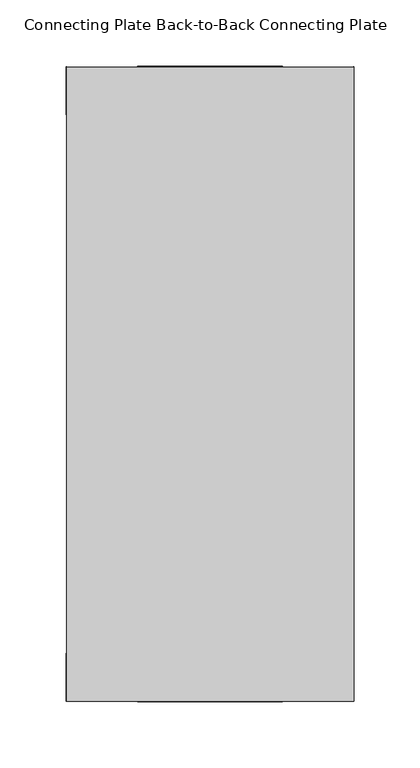
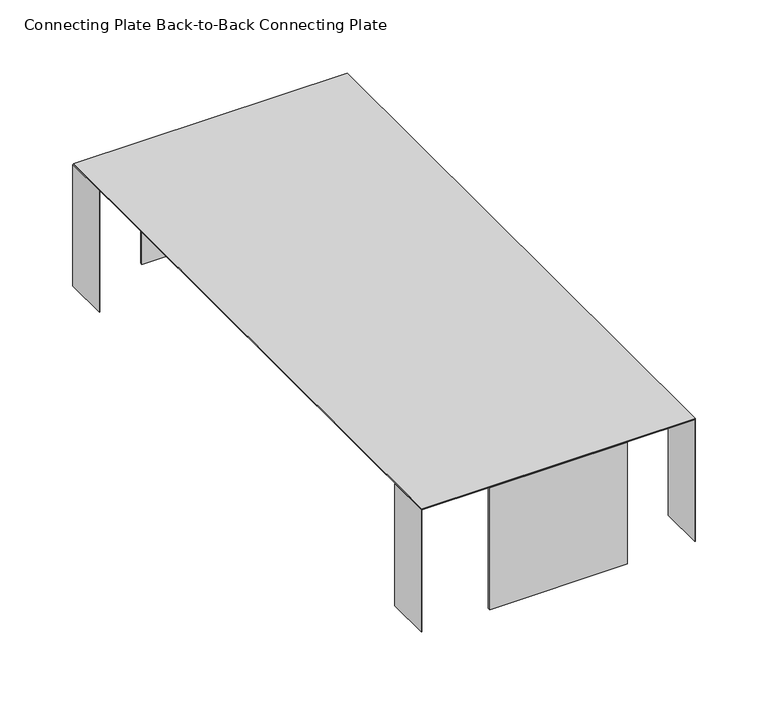
"""IFC4 building model written with IfcOpenShell, lengths in millimetres: furniture geometry, Connecting Plate Back-to-Back Connecting Plate."""

import ifcopenshell
import ifcopenshell.guid

model = None  # the IFC model being written
_history = None  # IfcOwnerHistory: only IFC2X3 demands one
_inside = {}  # id of a spatial element -> (the spatial element, [elements in it])
_under = {}  # id of a project, library or spatial element -> (it, [spatial elements below it])
_declared = {}  # id of a project -> (the project, [libraries it declares])
_typed = {}  # id of a type object -> (the type object, [elements of that type])
_made_of = {}  # id of a material, layer set ... -> (it, [elements and type objects made of it])


def new_model(schema):
    """Start an empty IFC model of exactly this schema.

    Asked for "IFC4X3", IfcOpenShell would pick the latest addendum, in which some entities
    have other attributes; the version numbers below select the first issue.
    IFC2X3 requires an IfcOwnerHistory on every rooted entity: one is made here for all.
    """
    global model, _history
    if schema == "IFC4X3":
        model = ifcopenshell.file(schema_version=(4, 3, 0, 0))
    else:
        model = ifcopenshell.file(schema=schema)
    _inside.clear()
    _under.clear()
    _declared.clear()
    _typed.clear()
    _made_of.clear()
    _history = None
    if model.schema == "IFC2X3":
        org = make("IfcOrganization", Name="unknown")
        user = make(
            "IfcPersonAndOrganization",
            ThePerson=make("IfcPerson", FamilyName="unknown"),
            TheOrganization=org,
        )
        app = make(
            "IfcApplication",
            ApplicationDeveloper=org,
            Version="unknown",
            ApplicationFullName="unknown",
            ApplicationIdentifier="unknown",
        )
        _history = make(
            "IfcOwnerHistory",
            OwningUser=user,
            OwningApplication=app,
            ChangeAction="ADDED",
            CreationDate=0,
        )
    return model


def make(cls, **values):
    """One entity of the class cls with the attributes given. An attribute that is None is left unset."""
    return model.create_entity(
        cls, **{name: value for name, value in values.items() if value is not None}
    )


def rooted(cls, **values):
    """An entity with a GlobalId (a new one), such as an element, a storey or a relation."""
    return make(cls, GlobalId=ifcopenshell.guid.new(), OwnerHistory=_history, **values)


def si_unit(unit_type, name, prefix=None):
    """IfcSIUnit, for example si_unit("LENGTHUNIT", "METRE", prefix="MILLI")."""
    return make("IfcSIUnit", UnitType=unit_type, Prefix=prefix, Name=name)


def assignment(units):
    """IfcUnitAssignment: the units of a project."""
    return None if units is None else make("IfcUnitAssignment", Units=units)


def point(xyz):
    """IfcCartesianPoint."""
    return None if xyz is None else make("IfcCartesianPoint", Coordinates=xyz)


def direction(xyz):
    """IfcDirection."""
    return None if xyz is None else make("IfcDirection", DirectionRatios=xyz)


def frame(location, z_axis=None, x_axis=None):
    """IfcAxis2Placement3D, a coordinate frame: its origin and axes. An axis left out is left unset."""
    return make(
        "IfcAxis2Placement3D",
        Location=point(location),
        Axis=direction(z_axis),
        RefDirection=direction(x_axis),
    )


def origin():
    """The frame at (0, 0, 0) with its axes left unset."""
    return frame((0.0, 0.0, 0.0))


def place(relative_to, where):
    """IfcLocalPlacement: puts the frame where relative to a parent placement (None: the world)."""
    return make(
        "IfcLocalPlacement", PlacementRelTo=relative_to, RelativePlacement=where
    )


def context(
    kind, dimensions, precision=None, world=None, true_north=None, identifier=None
):
    """IfcGeometricRepresentationContext, for example the 3D "Model" context."""
    return make(
        "IfcGeometricRepresentationContext",
        ContextIdentifier=identifier,
        ContextType=kind,
        CoordinateSpaceDimension=dimensions,
        Precision=precision,
        WorldCoordinateSystem=world,
        TrueNorth=true_north,
    )


def project(units=None, contexts=None):
    """IfcProject with its units and contexts."""
    return rooted(
        "IfcProject",
        Name="project",
        RepresentationContexts=contexts,
        UnitsInContext=assignment(units),
    )


def spatial(cls, under=None, at=None, **own):
    """A site, building, storey or space (cls), placed at a placement, below another one or the project."""
    s = rooted(cls, ObjectPlacement=at, **own)
    if under is not None:
        _under.setdefault(under.id(), (under, []))[1].append(s)
    return s


def polyline(points):
    """IfcPolyline through the points."""
    return make("IfcPolyline", Points=[point(p) for p in points])


def outline(outer, holes=None, kind="AREA"):
    """IfcArbitraryClosedProfileDef: a profile drawn as a closed curve; with holes, ...WithVoids."""
    if holes is None:
        return make("IfcArbitraryClosedProfileDef", ProfileType=kind, OuterCurve=outer)
    return make(
        "IfcArbitraryProfileDefWithVoids",
        ProfileType=kind,
        OuterCurve=outer,
        InnerCurves=holes,
    )


def extrude(swept, where, along, depth):
    """IfcExtrudedAreaSolid: the profile swept, set in the frame where, extruded along a direction by depth."""
    return make(
        "IfcExtrudedAreaSolid",
        SweptArea=swept,
        Position=where,
        ExtrudedDirection=direction(along),
        Depth=depth,
    )


def shape(context_of_items, identifier, shape_type, items):
    """IfcShapeRepresentation: the items that make up one representation, for example the "Body"."""
    return make(
        "IfcShapeRepresentation",
        ContextOfItems=context_of_items,
        RepresentationIdentifier=identifier,
        RepresentationType=shape_type,
        Items=items,
    )


def source(mapping_origin, context_of_items, identifier, shape_type, items):
    """IfcRepresentationMap: a shape defined once, which mapped items show again and again."""
    return make(
        "IfcRepresentationMap",
        MappingOrigin=mapping_origin,
        MappedRepresentation=shape(context_of_items, identifier, shape_type, items),
    )


def transform(
    local_origin,
    x_axis=None,
    y_axis=None,
    z_axis=None,
    scale=None,
    scale2=None,
    scale3=None,
    uniform=True,
):
    """IfcCartesianTransformationOperator3D, or its non-uniform kind. x_axis, y_axis, z_axis: its Axis1, 2, 3."""
    if uniform:
        return make(
            "IfcCartesianTransformationOperator3D",
            Axis1=direction(x_axis),
            Axis2=direction(y_axis),
            LocalOrigin=point(local_origin),
            Scale=scale,
            Axis3=direction(z_axis),
        )
    return make(
        "IfcCartesianTransformationOperator3DnonUniform",
        Axis1=direction(x_axis),
        Axis2=direction(y_axis),
        LocalOrigin=point(local_origin),
        Scale=scale,
        Axis3=direction(z_axis),
        Scale2=scale2,
        Scale3=scale3,
    )


def mapped(mapping_source, mapping_target):
    """IfcMappedItem: shows the shape of a source again, moved by a transform."""
    return make(
        "IfcMappedItem", MappingSource=mapping_source, MappingTarget=mapping_target
    )


def made_of(thing, what):
    """Note that an element or type object is made of a material, layer set ...; save() writes the relation."""
    if what is not None:
        _made_of.setdefault(what.id(), (what, []))[1].append(thing)
    return thing


def element(
    cls,
    number,
    at=None,
    inside=None,
    cuts=None,
    type_object=None,
    material=None,
    context=None,
    identifier="Body",
    shape_type=None,
    held_by="IfcProductDefinitionShape",
    body=None,
    shapes=None,
    **own,
):
    """One element of the class cls, such as IfcWall. Its Tag is "e" and its number.

    at: its placement. inside: the storey or other place that contains it. cuts: it is an
    opening in that element (IfcRelVoidsElement). A single representation is given by context,
    identifier, shape_type and body (its items); several are given by shapes. held_by: the class
    of the entity that holds the representations. save() writes the other relations.
    """
    e = rooted(cls, Tag="e%d" % number, ObjectPlacement=at, **own)
    if body is not None:
        shapes = [shape(context, identifier, shape_type, body)]
    if shapes is not None:
        e.Representation = make(held_by, Representations=shapes)
    if inside is not None:
        _inside.setdefault(inside.id(), (inside, []))[1].append(e)
    if cuts is not None:
        rooted(
            "IfcRelVoidsElement", RelatingBuildingElement=cuts, RelatedOpeningElement=e
        )
    if type_object is not None:
        _typed.setdefault(type_object.id(), (type_object, []))[1].append(e)
    return made_of(e, material)


def aggregate(whole, parts):
    """IfcRelAggregates: a whole, such as a stair, and the parts it consists of."""
    return rooted("IfcRelAggregates", RelatingObject=whole, RelatedObjects=parts)


def save(model, path):
    """Write the relations noted so far, then the file.

    IfcRelAggregates (storeys below a building ...), IfcRelContainedInSpatialStructure (elements
    in a storey), IfcRelDefinesByType, IfcRelAssociatesMaterial and IfcRelDeclares: one each for
    every whole, place, type object, material and project.
    """
    for whole, parts in _under.values():
        aggregate(whole, parts)
    for where, things in _inside.values():
        rooted(
            "IfcRelContainedInSpatialStructure",
            RelatedElements=things,
            RelatingStructure=where,
        )
    for kind, things in _typed.values():
        rooted("IfcRelDefinesByType", RelatedObjects=things, RelatingType=kind)
    for what, things in _made_of.values():
        rooted("IfcRelAssociatesMaterial", RelatedObjects=things, RelatingMaterial=what)
    for by, libraries in _declared.values():
        rooted("IfcRelDeclares", RelatingContext=by, RelatedDefinitions=libraries)
    model.write(path)


def connecting_plate_back_to_back_connecting_plate_7b9cfb0c(model_context):
    return source(origin(), model_context, "Body", "SweptSolid", [
        extrude(outline(polyline([(121.1959787, -239.74287), (121.1959787, -203.5732573), (121.5769783, -203.5732573), (121.5769783, -239.74287), (121.1959787, -239.74287)])), frame((0.0, 0.0, 332.4660802), z_axis=(0.0, 0.0, 1.0), x_axis=(1.0, 0.0, 0.0)), (0.0, 0.0, 1.0), 102.3619932),
        extrude(outline(polyline([(-95.7959787, -203.5732573), (-95.7959787, -239.74287), (-96.1769783, -239.74287), (-96.1769783, -203.5732573), (-95.7959787, -203.5732573)])), frame((0.0, 0.0, 332.4660802), z_axis=(0.0, 0.0, 1.0), x_axis=(1.0, 0.0, 0.0)), (0.0, 0.0, 1.0), 102.3619932),
        extrude(outline(polyline([(121.1959787, 203.5732573), (121.1959787, 239.74287), (121.5769783, 239.74287), (121.5769783, 203.5732573), (121.1959787, 203.5732573)])), frame((0.0, 0.0, 332.4660802), z_axis=(0.0, 0.0, 1.0), x_axis=(1.0, 0.0, 0.0)), (0.0, 0.0, 1.0), 102.3619932),
        extrude(outline(polyline([(-95.7959787, 239.74287), (-95.7959787, 203.5732573), (-96.1769783, 203.5732573), (-96.1769783, 239.74287), (-95.7959787, 239.74287)])), frame((0.0, 0.0, 332.4660802), z_axis=(0.0, 0.0, 1.0), x_axis=(1.0, 0.0, 0.0)), (0.0, 0.0, 1.0), 102.3619932),
        extrude(outline(polyline([(-42.1297095, 240.2768459), (67.529708, 240.2768459), (67.529708, 238.5071906), (-42.1297095, 238.5071906), (-42.1297095, 240.2768459)])), frame((0.0, 0.0, 332.4660802), z_axis=(0.0, 0.0, 1.0), x_axis=(1.0, 0.0, 0.0)), (0.0, 0.0, 1.0), 102.3619932),
        extrude(outline(polyline([(67.529708, -240.2768459), (-42.1297095, -240.2768459), (-42.1297095, -238.5071906), (67.529708, -238.5071906), (67.529708, -240.2768459)])), frame((0.0, 0.0, 332.4660802), z_axis=(0.0, 0.0, 1.0), x_axis=(1.0, 0.0, 0.0)), (0.0, 0.0, 1.0), 102.3619932),
        extrude(outline(polyline([(121.5769813, 239.3104654), (121.5769813, -239.74287), (-95.7959787, -239.74287), (-95.7959787, 239.3104654), (121.5769813, 239.3104654)])), frame((0.0, 0.0, 434.8280734), z_axis=(0.0, 0.0, 1.0), x_axis=(1.0, 0.0, 0.0)), (0.0, 0.0, 1.0), 0.7620174),
    ])


if __name__ == "__main__":
    model = new_model("IFC4")
    model_context = context("Model", 3, world=origin())
    ifc_project = project(units=[si_unit("LENGTHUNIT", "METRE", prefix="MILLI")], contexts=[model_context])
    site = spatial("IfcSite", under=ifc_project)
    building = spatial("IfcBuilding", under=site)
    placement = place(None, origin())
    connecting_plate_back_to_back_connecting_plate_shape = connecting_plate_back_to_back_connecting_plate_7b9cfb0c(model_context)
    element("IfcFurniture", 1, ObjectType="Connecting Plate Back-to-Back Connecting Plate", at=placement, inside=building, context=model_context, shape_type="MappedRepresentation", body=[
        mapped(connecting_plate_back_to_back_connecting_plate_shape, transform((0.0, 0.0, 0.0), x_axis=(1.0, 0.0, 0.0), y_axis=(0.0, 1.0, 0.0), z_axis=(0.0, 0.0, 1.0))),
    ])
    save(model, "model.ifc")
